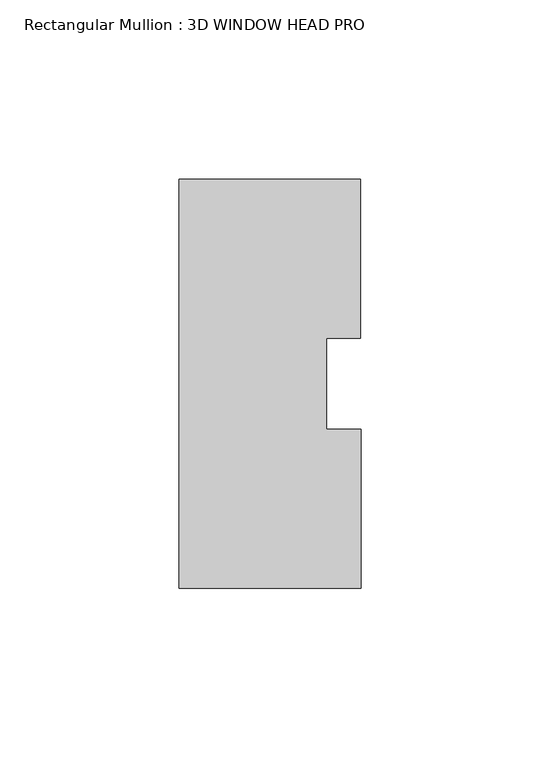
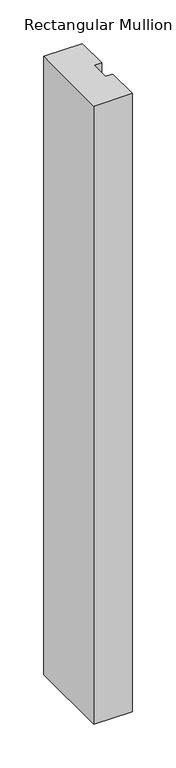
"""IFC4 building model written with IfcOpenShell, lengths in millimetres: member geometry, Rectangular Mullion : 3D WINDOW HEAD PRO."""

from ifc_helpers import new_model, si_unit, frame, origin, place, context, project, spatial, polyline, outline, extrude, source, transform, mapped, element, save


def rectangular_mullion_3d_window_head_pro_b639db09(model_context):
    return source(origin(), model_context, "Body", "SweptSolid", [
        extrude(outline(polyline([(25.4, -57.138783), (-25.4054077, -57.138783), (-25.4054077, 57.161217), (25.3945923, 57.161217), (25.3945923, 12.7438492), (15.875542, 12.7438492), (15.875542, -12.7438492), (25.4, -12.7438492), (25.4, -57.138783)])), frame((0.0, 0.0, -864.0942008), z_axis=(0.0, 0.0, 1.0), x_axis=(1.0, 0.0, 0.0)), (0.0, 0.0, 1.0), 864.0942008),
    ])


if __name__ == "__main__":
    model = new_model("IFC4")
    model_context = context("Model", 3, world=origin())
    ifc_project = project(units=[si_unit("LENGTHUNIT", "METRE", prefix="MILLI")], contexts=[model_context])
    site = spatial("IfcSite", under=ifc_project)
    building = spatial("IfcBuilding", under=site)
    placement = place(None, origin())
    rectangular_mullion_3d_window_head_pro_shape = rectangular_mullion_3d_window_head_pro_b639db09(model_context)
    element("IfcMember", 1, ObjectType="Rectangular Mullion : 3D WINDOW HEAD PRO", at=placement, inside=building, context=model_context, shape_type="MappedRepresentation", body=[
        mapped(rectangular_mullion_3d_window_head_pro_shape, transform((0.0, 0.0, 0.0), x_axis=(1.0, 0.0, 0.0), y_axis=(0.0, 1.0, 0.0), z_axis=(0.0, 0.0, 1.0))),
    ])
    save(model, "model.ifc")
